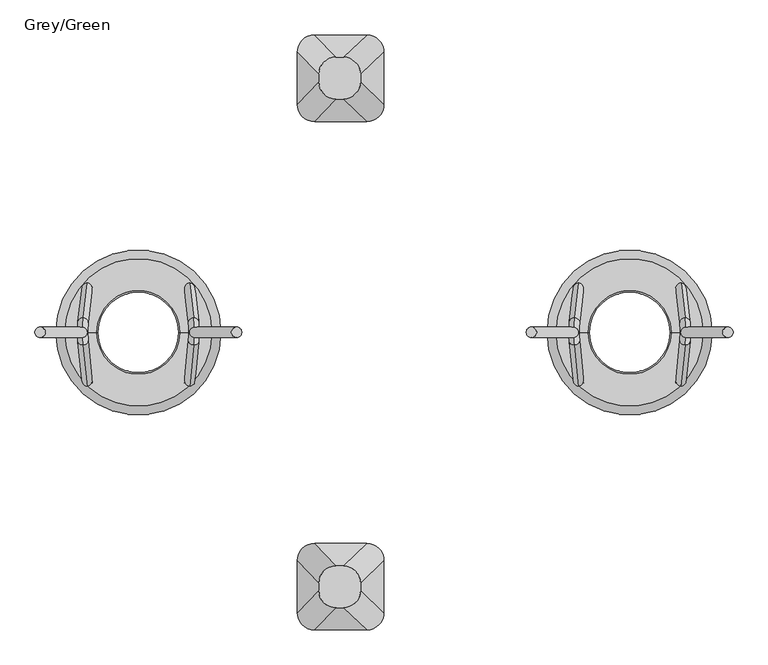
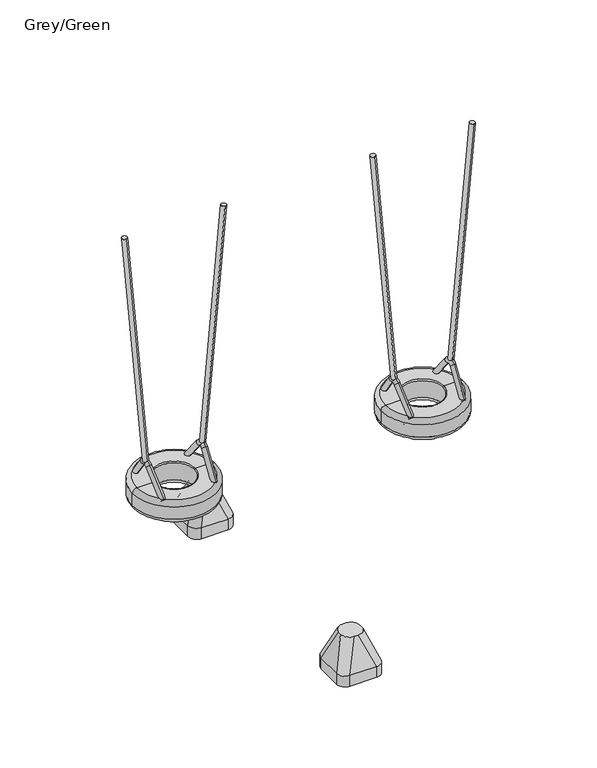
"""IFC4 building model written with IfcOpenShell, lengths in millimetres: furniture geometry, Grey/Green."""

from ifc_helpers import new_model, si_unit, point, frame, frame_2d, origin, place, context, project, spatial, circle_curve, ellipse_curve, trimmed, segment, composite_curve, outline, extrude, source, transform, mapped, element, save
from ifc_brep_helpers import plane_surface, cylinder_surface, revolved_surface, extruded_surface, advanced_brep


def grey_green_ed28a0c3(model_context):
    return source(origin(), model_context, "Body", "SolidModel", [
        advanced_brep(
        [(1275.0, 729.921608, -604.0), (1215.0, 789.921608, -604.0), (1215.0, 969.921608, -604.0), (1275.0, 1029.921608, -604.0), (1455.0, 1029.921608, -604.0), (1515.0, 969.921608, -604.0), (1515.0, 789.921608, -604.0), (1455.0, 729.921608, -604.0), (1455.0, 729.921608, -526.0689494), (1275.0, 729.921608, -526.0689494), (1515.0, 969.921608, -526.0689494), (1515.0, 789.921608, -526.0689494), (1275.0, 1029.921608, -526.0689494), (1455.0, 1029.921608, -526.0689494), (1215.0, 789.921608, -526.0689494), (1215.0, 969.921608, -526.0689494), (1373.9540451, 808.4726677, -316.0689494), (1433.9540451, 868.4726677, -316.0689494), (1433.9540451, 893.4726677, -316.0689494), (1373.9540451, 953.4726677, -316.0689494), (1348.9540451, 953.4726677, -316.0689494), (1288.9540451, 893.4726677, -316.0689494), (1288.9540451, 868.4726677, -316.0689494), (1348.9540451, 808.4726677, -316.0689494)],
        [
            (0, 1, circle_curve(frame((1275.0, 789.921608, -604.0), z_axis=(0.0, 0.0, -1.0), x_axis=(-1.0, 0.0, 0.0)), 60.0)),
            (1, 2),
            (2, 3, circle_curve(frame((1275.0, 969.921608, -604.0), z_axis=(0.0, 0.0, -1.0), x_axis=(-1.0, 0.0, 0.0)), 60.0)),
            (3, 4),
            (4, 5, circle_curve(frame((1455.0, 969.921608, -604.0), z_axis=(0.0, 0.0, -1.0), x_axis=(-1.0, 0.0, 0.0)), 60.0)),
            (5, 6),
            (6, 7, circle_curve(frame((1455.0, 789.921608, -604.0), z_axis=(0.0, 0.0, -1.0), x_axis=(-1.0, 0.0, 0.0)), 60.0)),
            (7, 0),
            (7, 8),
            (8, 9),
            (9, 0),
            (5, 10),
            (10, 11),
            (11, 6),
            (3, 12),
            (12, 13),
            (13, 4),
            (1, 14),
            (14, 15),
            (15, 2),
            (16, 17, circle_curve(frame((1373.9540451, 868.4726677, -316.0689494), z_axis=(0.0, 0.0, 1.0), x_axis=(-1.0, 0.0, 0.0)), 60.0)),
            (17, 18),
            (18, 19, circle_curve(frame((1373.9540451, 893.4726677, -316.0689494), z_axis=(0.0, 0.0, 1.0), x_axis=(-1.0, 0.0, 0.0)), 60.0)),
            (19, 20),
            (20, 21, circle_curve(frame((1348.9540451, 893.4726677, -316.0689494), z_axis=(0.0, 0.0, 1.0), x_axis=(-1.0, 0.0, 0.0)), 60.0)),
            (21, 22),
            (22, 23, circle_curve(frame((1348.9540451, 868.4726677, -316.0689494), z_axis=(0.0, 0.0, 1.0), x_axis=(-1.0, 0.0, 0.0)), 60.0)),
            (23, 16),
            (17, 11),
            (10, 18),
            (19, 13),
            (12, 20),
            (21, 15),
            (14, 22),
            (23, 9),
            (8, 16),
            (11, 8, circle_curve(frame((1455.0, 789.921608, -526.0689494), z_axis=(0.0, 0.0, -1.0), x_axis=(-1.0, 0.0, 0.0)), 60.0)),
            (13, 10, circle_curve(frame((1455.0, 969.921608, -526.0689494), z_axis=(0.0, 0.0, -1.0), x_axis=(-1.0, 0.0, 0.0)), 60.0)),
            (15, 12, circle_curve(frame((1275.0, 969.921608, -526.0689494), z_axis=(0.0, 0.0, -1.0), x_axis=(-1.0, 0.0, 0.0)), 60.0)),
            (9, 14, circle_curve(frame((1275.0, 789.921608, -526.0689494), z_axis=(0.0, 0.0, -1.0), x_axis=(-1.0, 0.0, 0.0)), 60.0)),
        ],
        [
            plane_surface(frame((1541.6329682, 729.921608, -604.0), z_axis=(0.0, 0.0, -1.0), x_axis=(-1.0, 0.0, 0.0))),
            plane_surface(frame((1275.0, 729.921608, -526.0689494), z_axis=(0.0, -1.0, 0.0), x_axis=(0.0, 0.0, -1.0))),
            plane_surface(frame((1515.0, 789.921608, -526.0689494), z_axis=(1.0, 0.0, 0.0), x_axis=(0.0, 0.0, -1.0))),
            plane_surface(frame((1455.0, 1029.921608, -526.0689494), z_axis=(0.0, 1.0, 0.0), x_axis=(0.0, 0.0, -1.0))),
            plane_surface(frame((1215.0, 969.921608, -526.0689494), z_axis=(-1.0, 0.0, 0.0), x_axis=(0.0, 0.0, -1.0))),
            plane_surface(frame((1361.4540451, 880.9726677, -316.0689494), z_axis=(0.0, 0.0, 1.0), x_axis=(1.0, 0.0, 0.0))),
            plane_surface(frame((1515.0, 879.921608, -526.0689494), z_axis=(0.9329330935587706, 0.0, 0.36004977842357055), x_axis=(0.0, 1.0, 0.0))),
            plane_surface(frame((1365.0, 1029.921608, -526.0689494), z_axis=(0.0, 0.9396707723277333, 0.34208016550656856), x_axis=(-1.0, 0.0, 0.0))),
            plane_surface(frame((1215.0, 879.921608, -526.0689494), z_axis=(-0.9432207285248213, 0.0, 0.33216661072586046), x_axis=(0.0, -1.0, 0.0))),
            plane_surface(frame((1365.0, 729.921608, -526.0689494), z_axis=(0.0, -0.9366205672401335, 0.35034541958297477), x_axis=(1.0, 0.0, 0.0))),
            cylinder_surface(frame((1455.0, 789.921608, -604.0), z_axis=(0.0, 0.0, 1.0), x_axis=(-1.0, 0.0, 0.0)), 60.0),
            cylinder_surface(frame((1455.0, 969.921608, -604.0), z_axis=(0.0, 0.0, 1.0), x_axis=(-1.0, 0.0, 0.0)), 60.0),
            cylinder_surface(frame((1275.0, 969.921608, -604.0), z_axis=(0.0, 0.0, 1.0), x_axis=(-1.0, 0.0, 0.0)), 60.0),
            cylinder_surface(frame((1275.0, 789.921608, -604.0), z_axis=(0.0, 0.0, 1.0), x_axis=(-1.0, 0.0, 0.0)), 60.0),
            extruded_surface(trimmed(circle_curve(frame((1455.0, 789.921608, -526.0689494), z_axis=(0.0, 0.0, 1.0), x_axis=(-1.0, 0.0, 0.0)), 60.0), [point((1455.0, 729.921608, -526.0689494))], [point((1515.0, 789.921608, -526.0689494))], True, "CARTESIAN"), (-81.04595489999997, 78.5510597, 209.99999999999994), 238.40871583406042),
            extruded_surface(trimmed(circle_curve(frame((1275.0, 789.921608, -526.0689494), z_axis=(0.0, 0.0, 1.0), x_axis=(-1.0, 0.0, 0.0)), 60.0), [point((1215.0, 789.921608, -526.0689494))], [point((1275.0, 729.921608, -526.0689494))], True, "CARTESIAN"), (73.95404510000003, 78.5510597, 209.99999999999994), 236.0920790002193),
            extruded_surface(trimmed(circle_curve(frame((1455.0, 969.921608, -526.0689494), z_axis=(0.0, 0.0, 1.0), x_axis=(-1.0, 0.0, 0.0)), 60.0), [point((1515.0, 969.921608, -526.0689494))], [point((1455.0, 1029.921608, -526.0689494))], True, "CARTESIAN"), (-81.04595489999997, -76.4489403, 209.99999999999994), 237.72439352882105),
            extruded_surface(trimmed(circle_curve(frame((1275.0, 969.921608, -526.0689494), z_axis=(0.0, 0.0, 1.0), x_axis=(-1.0, 0.0, 0.0)), 60.0), [point((1275.0, 1029.921608, -526.0689494))], [point((1215.0, 969.921608, -526.0689494))], True, "CARTESIAN"), (73.95404510000003, -76.4489403, 209.99999999999994), 235.4010222145303),
        ],
        [
            (0, [[1, 2, 3, 4, 5, 6, 7, 8]]),
            (1, [[-8, 9, 10, 11]]),
            (2, [[-6, 12, 13, 14]]),
            (3, [[-4, 15, 16, 17]]),
            (4, [[-2, 18, 19, 20]]),
            (5, [[21, 22, 23, 24, 25, 26, 27, 28]]),
            (6, [[-22, 29, -13, 30]]),
            (7, [[-24, 31, -16, 32]]),
            (8, [[-26, 33, -19, 34]]),
            (9, [[-28, 35, -10, 36]]),
            (10, [[-7, -14, 37, -9]]),
            (11, [[-5, -17, 38, -12]]),
            (12, [[-3, -20, 39, -15]]),
            (13, [[-1, -11, 40, -18]]),
            (14, [[-21, -36, -37, -29]]),
            (15, [[-27, -34, -40, -35]]),
            (16, [[-23, -30, -38, -31]]),
            (17, [[-25, -32, -39, -33]]),
        ],
    ),
        extrude(outline(composite_curve([segment(trimmed(circle_curve(frame_2d((1.4321269, 0.0)), 18.0), [point((1.4321269, 18.0))], [point((1.4321269, -18.0))], False, "CARTESIAN"), True, "CONTINUOUS"), segment(trimmed(circle_curve(frame_2d((1.4321269, 0.0)), 18.0), [point((1.4321269, -18.0))], [point((1.4321269, 18.0))], False, "CARTESIAN"), True, "CONTINUOUS")], self_intersect=False)), frame((2171.6509993, 0.0, 686.6778156), z_axis=(-0.08715574274765649, 0.0, 0.9961946980917457), x_axis=(-0.9961946980917457, 0.0, -0.08715574274765649)), (0.0, 0.0, 1.0), 1665.0),
        extrude(outline(composite_curve([segment(trimmed(circle_curve(frame_2d((1.4321269, 0.0)), 18.0), [point((1.4321269, 18.0))], [point((1.4321269, -18.0))], False, "CARTESIAN"), True, "CONTINUOUS"), segment(trimmed(circle_curve(frame_2d((1.4321269, 0.0)), 18.0), [point((1.4321269, -18.0))], [point((1.4321269, 18.0))], False, "CARTESIAN"), True, "CONTINUOUS")], self_intersect=False)), frame((2558.3490007, 0.0, 686.6778156), z_axis=(0.08715574274767696, 0.0, 0.9961946980917439), x_axis=(0.9961946980917439, 0.0, -0.08715574274767696)), (0.0, 0.0, 1.0), 1665.0),
        advanced_brep(
        [(2542.843913, 171.5929238, 509.453853), (2540.9556542, 142.8420454, 487.8709553), (2554.8767884, 22.4790408, 646.9902475), (2556.7650472, 51.2299192, 668.5731452), (2542.5847991, -188.6337903, 506.4921669), (2540.5263438, -161.4642454, 482.9639159), (2557.0557994, -44.3008039, 671.896457), (2554.9973441, -17.131259, 648.3682061)],
        [
            (0, 1, circle_curve(frame((2541.8997836, 157.2174846, 498.6624042), z_axis=(-0.06960567106284149, 0.6018150231520505, -0.7955964608169073), x_axis=(-0.05245163533952736, -0.7986355100472913, -0.5995249352960328)), 18.0)),
            (1, 0, circle_curve(frame((2541.8997836, 157.2174846, 498.6624042), z_axis=(-0.06960567106284149, 0.6018150231520505, -0.7955964608169073), x_axis=(-0.05245163533952736, -0.7986355100472913, -0.5995249352960328)), 18.0)),
            (1, 2),
            (2, 3, circle_curve(frame((2555.8209178, 36.85448, 657.7816963), z_axis=(-0.06960567106284149, 0.6018150231520505, -0.7955964608169073), x_axis=(-0.05245163533952736, -0.7986355100472913, -0.5995249352960328)), 18.0)),
            (3, 0),
            (3, 2, circle_curve(frame((2555.8209178, 36.85448, 657.7816963), z_axis=(-0.06960567106284149, 0.6018150231520505, -0.7955964608169073), x_axis=(-0.05245163533952736, -0.7986355100472913, -0.5995249352960328)), 18.0)),
            (4, 5, circle_curve(frame((2541.5555715, -175.0490178, 494.7280414), z_axis=(-0.06577727402310152, -0.6560590289905275, -0.7518376824169539), x_axis=(-0.0571793119579891, 0.7547095802227545, -0.6535625263155811)), 18.0)),
            (5, 4, circle_curve(frame((2541.5555715, -175.0490178, 494.7280414), z_axis=(-0.06577727402310152, -0.6560590289905275, -0.7518376824169539), x_axis=(-0.0571793119579891, 0.7547095802227545, -0.6535625263155811)), 18.0)),
            (6, 7, circle_curve(frame((2556.0265717, -30.7160315, 660.1323315), z_axis=(-0.06577727402310152, -0.6560590289905275, -0.7518376824169539), x_axis=(-0.0571793119579891, 0.7547095802227545, -0.6535625263155811)), 18.0)),
            (7, 5),
            (4, 6),
            (7, 6, circle_curve(frame((2556.0265717, -30.7160315, 660.1323315), z_axis=(-0.06577727402310152, -0.6560590289905275, -0.7518376824169539), x_axis=(-0.0571793119579891, 0.7547095802227545, -0.6535625263155811)), 18.0)),
            (7, 2, circle_curve(frame((2553.5392717, 2.1138353, 631.7023617), z_axis=(-0.9961946980917439, 0.0, 0.08715574274767696), x_axis=(0.0524516353395274, 0.7986355100472908, 0.5995249352960332)), 25.5)),
            (3, 6, circle_curve(frame((2553.5392717, 2.1138353, 631.7023617), z_axis=(0.9961946980917439, 0.0, -0.08715574274767696), x_axis=(0.0524516353395274, 0.7986355100472908, 0.5995249352960332)), 61.5)),
        ],
        [
            plane_surface(frame((2541.8997836, 157.2174846, 498.6624042), z_axis=(-0.06960567106284149, 0.6018150231520504, -0.7955964608169073), x_axis=(0.9961946980917439, 0.0, -0.08715574274767696))),
            cylinder_surface(frame((2541.8997836, 157.2174846, 498.6624042), z_axis=(-0.06960567106284149, 0.6018150231520505, -0.7955964608169073), x_axis=(-0.05245163533952736, -0.7986355100472913, -0.5995249352960328)), 18.0),
            plane_surface(frame((2541.5555715, -175.0490178, 494.7280414), z_axis=(-0.06577727402310148, -0.6560590289905277, -0.7518376824169536), x_axis=(0.9961946980917439, 0.0, -0.08715574274767686))),
            cylinder_surface(frame((2556.0265717, -30.7160315, 660.1323315), z_axis=(0.0657772740231015, 0.6560590289905274, 0.7518376824169537), x_axis=(-0.0571793119579891, 0.7547095802227545, -0.6535625263155811)), 18.0),
            revolved_surface(trimmed(ellipse_curve(frame((2555.8209178, 36.85448, 657.7816963), z_axis=(-0.06960567106284156, 0.6018150231520512, -0.7955964608169066), x_axis=(-0.05245163533952739, -0.7986355100472906, -0.5995249352960335)), 18.0, 18.0), [point((2556.7650472, 51.2299192, 668.5731452))], [point((2554.8767884, 22.4790408, 646.9902475))], True, "CARTESIAN"), (2553.5392717, 2.1138353, 631.7023617), (0.9961946980917439, 0.0, -0.08715574274767696)),
            revolved_surface(trimmed(ellipse_curve(frame((2555.8209178, 36.85448, 657.7816963), z_axis=(-0.06960567106284156, 0.6018150231520512, -0.7955964608169066), x_axis=(-0.05245163533952739, -0.7986355100472906, -0.5995249352960335)), 18.0, 18.0), [point((2554.8767884, 22.4790408, 646.9902475))], [point((2556.7650472, 51.2299192, 668.5731452))], True, "CARTESIAN"), (2553.5392717, 2.1138353, 631.7023617), (0.9961946980917439, 0.0, -0.08715574274767696)),
        ],
        [
            (0, [[1, 2]]),
            (1, [[-2, 3, 4, 5]]),
            (1, [[-1, -5, 6, -3]]),
            (2, [[7, 8]]),
            (3, [[9, 10, -7, 11]]),
            (3, [[12, -11, -8, -10]]),
            (4, [[13, -6, 14, -12]]),
            (5, [[-14, -4, -13, -9]]),
        ],
    ),
        advanced_brep(
        [(2189.0435586, 142.8352389, 487.8799535), (2187.1552997, 171.5861173, 509.4628511), (2175.1224244, 22.4722343, 646.9992456), (2173.2341655, 51.2231127, 668.5821433), (2189.4729122, -161.4568254, 482.9724192), (2187.414457, -188.6263703, 506.5006701), (2172.9434567, -44.2933839, 671.9049602), (2175.0019119, -17.123839, 648.3767093)],
        [
            (0, 1, circle_curve(frame((2188.0994292, 157.2106781, 498.6714023), z_axis=(0.06960567106282514, 0.6018150231520504, -0.7955964608169089), x_axis=(-0.052451635339515044, 0.7986355100472914, 0.5995249352960337)), 18.0)),
            (1, 0, circle_curve(frame((2188.0994292, 157.2106781, 498.6714023), z_axis=(0.06960567106282514, 0.6018150231520504, -0.7955964608169089), x_axis=(-0.052451635339515044, 0.7986355100472914, 0.5995249352960337)), 18.0)),
            (0, 2),
            (2, 3, circle_curve(frame((2174.178295, 36.8476735, 657.7906945), z_axis=(0.06960567106282514, 0.6018150231520504, -0.7955964608169089), x_axis=(-0.052451635339515044, 0.7986355100472914, 0.5995249352960337)), 18.0)),
            (3, 1),
            (3, 2, circle_curve(frame((2174.178295, 36.8476735, 657.7906945), z_axis=(0.06960567106282514, 0.6018150231520504, -0.7955964608169089), x_axis=(-0.052451635339515044, 0.7986355100472914, 0.5995249352960337)), 18.0)),
            (4, 5, circle_curve(frame((2188.4436846, -175.0415979, 494.7365446), z_axis=(0.06577727402308613, -0.6560590289905281, -0.7518376824169546), x_axis=(-0.05717931195797577, -0.754709580222754, 0.653562526315583)), 18.0)),
            (5, 4, circle_curve(frame((2188.4436846, -175.0415979, 494.7365446), z_axis=(0.06577727402308613, -0.6560590289905281, -0.7518376824169546), x_axis=(-0.05717931195797577, -0.754709580222754, 0.653562526315583)), 18.0)),
            (6, 7, circle_curve(frame((2173.9726843, -30.7086115, 660.1408348), z_axis=(0.06577727402308613, -0.6560590289905281, -0.7518376824169546), x_axis=(-0.05717931195797577, -0.754709580222754, 0.653562526315583)), 18.0)),
            (7, 4),
            (5, 6),
            (7, 6, circle_curve(frame((2173.9726843, -30.7086115, 660.1408348), z_axis=(0.06577727402308613, -0.6560590289905281, -0.7518376824169546), x_axis=(-0.05717931195797577, -0.754709580222754, 0.653562526315583)), 18.0)),
            (6, 3, circle_curve(frame((2176.4594607, 2.1143432, 631.7168506), z_axis=(-0.9961946980917457, 0.0, -0.08715574274765649), x_axis=(-0.05245163533951502, 0.7986355100472914, 0.5995249352960336)), 61.4908414)),
            (2, 7, circle_curve(frame((2176.4594607, 2.1143432, 631.7168506), z_axis=(0.9961946980917457, 0.0, 0.08715574274765649), x_axis=(-0.05245163533951502, 0.7986355100472914, 0.5995249352960336)), 25.4908414)),
        ],
        [
            plane_surface(frame((2188.0994292, 157.2106781, 498.6714023), z_axis=(0.06960567106282513, 0.6018150231520503, -0.7955964608169087), x_axis=(-0.9961946980917457, 0.0, -0.08715574274765646))),
            cylinder_surface(frame((2188.0994292, 157.2106781, 498.6714023), z_axis=(0.06960567106282513, 0.6018150231520503, -0.7955964608169087), x_axis=(-0.052451635339515044, 0.7986355100472914, 0.5995249352960337)), 18.0),
            plane_surface(frame((2188.4436846, -175.0415979, 494.7365446), z_axis=(0.06577727402308613, -0.6560590289905281, -0.7518376824169546), x_axis=(-0.9961946980917457, 0.0, -0.08715574274765645))),
            cylinder_surface(frame((2173.9726843, -30.7086115, 660.1408348), z_axis=(-0.06577727402308613, 0.6560590289905281, 0.7518376824169546), x_axis=(-0.05717931195797577, -0.754709580222754, 0.653562526315583)), 18.0),
            revolved_surface(trimmed(ellipse_curve(frame((2174.178295, 36.8476735, 657.7906945), z_axis=(0.0696056710628252, 0.6018150231520499, -0.7955964608169088), x_axis=(-0.05245163533951503, 0.7986355100472915, 0.5995249352960333)), 18.0, 18.0), [point((2175.1224244, 22.4722343, 646.9992456))], [point((2173.2341655, 51.2231127, 668.5821433))], True, "CARTESIAN"), (2176.4594607, 2.1143432, 631.7168506), (0.9961946980917457, 0.0, 0.08715574274765649)),
            revolved_surface(trimmed(ellipse_curve(frame((2174.178295, 36.8476735, 657.7906945), z_axis=(0.0696056710628252, 0.6018150231520499, -0.7955964608169088), x_axis=(-0.05245163533951503, 0.7986355100472915, 0.5995249352960333)), 18.0, 18.0), [point((2173.2341655, 51.2231127, 668.5821433))], [point((2175.1224244, 22.4722343, 646.9992456))], True, "CARTESIAN"), (2176.4594607, 2.1143432, 631.7168506), (0.9961946980917457, 0.0, 0.08715574274765649)),
        ],
        [
            (0, [[1, 2]]),
            (1, [[-1, 3, 4, 5]]),
            (1, [[-2, -5, 6, -3]]),
            (2, [[7, 8]]),
            (3, [[9, 10, -8, 11]]),
            (3, [[12, -11, -7, -10]]),
            (4, [[13, -4, 14, -9]]),
            (5, [[-14, -6, -13, -12]]),
        ],
    ),
        advanced_brep(
        [(2079.3165246, 0.0, 390.0), (2650.6834754, 0.0, 390.0), (2620.6834754, 0.0, 360.0), (2109.3165246, 0.0, 360.0), (2109.3165246, 0.0, 510.0), (2620.6834754, 0.0, 510.0), (2650.6834754, 0.0, 480.0), (2079.3165246, 0.0, 480.0), (2220.0, 0.0, 510.0), (2510.0, 0.0, 510.0), (2220.0, 0.0, 500.0), (2510.0, 0.0, 500.0), (2220.0, 0.0, 360.0), (2510.0, 0.0, 360.0), (2510.0, 0.0, 375.0), (2220.0, 0.0, 375.0)],
        [
            (0, 1, circle_curve(frame((2365.0, 0.0, 390.0), z_axis=(0.0, 0.0, -1.0), x_axis=(1.0, 0.0, 0.0)), 285.6834754)),
            (1, 2, circle_curve(frame((2620.6834754, 0.0, 390.0), z_axis=(0.0, 1.0, 0.0), x_axis=(1.0, 0.0, 0.0)), 30.0)),
            (2, 3, circle_curve(frame((2365.0, 0.0, 360.0), z_axis=(0.0, 0.0, 1.0), x_axis=(1.0, 0.0, 0.0)), 255.6834754)),
            (3, 0, circle_curve(frame((2109.3165246, 0.0, 390.0), z_axis=(0.0, 1.0, 0.0), x_axis=(-1.0, 0.0, 0.0)), 30.0)),
            (1, 0, circle_curve(frame((2365.0, 0.0, 390.0), z_axis=(0.0, 0.0, -1.0), x_axis=(1.0, 0.0, 0.0)), 285.6834754)),
            (3, 2, circle_curve(frame((2365.0, 0.0, 360.0), z_axis=(0.0, 0.0, 1.0), x_axis=(1.0, 0.0, 0.0)), 255.6834754)),
            (4, 5, circle_curve(frame((2365.0, 0.0, 510.0), z_axis=(0.0, 0.0, -1.0), x_axis=(1.0, 0.0, 0.0)), 255.6834754)),
            (5, 6, circle_curve(frame((2620.6834754, 0.0, 480.0), z_axis=(0.0, 1.0, 0.0), x_axis=(1.0, 0.0, 0.0)), 30.0)),
            (6, 7, circle_curve(frame((2365.0, 0.0, 480.0), z_axis=(0.0, 0.0, 1.0), x_axis=(1.0, 0.0, 0.0)), 285.6834754)),
            (7, 4, circle_curve(frame((2109.3165246, 0.0, 480.0), z_axis=(0.0, 1.0, 0.0), x_axis=(-1.0, 0.0, 0.0)), 30.0)),
            (5, 4, circle_curve(frame((2365.0, 0.0, 510.0), z_axis=(0.0, 0.0, -1.0), x_axis=(1.0, 0.0, 0.0)), 255.6834754)),
            (7, 6, circle_curve(frame((2365.0, 0.0, 480.0), z_axis=(0.0, 0.0, 1.0), x_axis=(1.0, 0.0, 0.0)), 285.6834754)),
            (8, 9, circle_curve(frame((2365.0, 0.0, 510.0), z_axis=(0.0, 0.0, -1.0), x_axis=(1.0, 0.0, 0.0)), 145.0)),
            (9, 5),
            (4, 8),
            (9, 8, circle_curve(frame((2365.0, 0.0, 510.0), z_axis=(0.0, 0.0, -1.0), x_axis=(1.0, 0.0, 0.0)), 145.0)),
            (10, 11, circle_curve(frame((2365.0, 0.0, 500.0), z_axis=(0.0, 0.0, -1.0), x_axis=(1.0, 0.0, 0.0)), 145.0)),
            (11, 9, circle_curve(frame((2510.0, 0.0, 505.0), z_axis=(0.0, 1.0, 0.0), x_axis=(1.0, 0.0, 0.0)), 5.0)),
            (8, 10, circle_curve(frame((2220.0, 0.0, 505.0), z_axis=(0.0, 1.0, 0.0), x_axis=(-1.0, 0.0, 0.0)), 5.0)),
            (11, 10, circle_curve(frame((2365.0, 0.0, 500.0), z_axis=(0.0, 0.0, -1.0), x_axis=(1.0, 0.0, 0.0)), 145.0)),
            (12, 13, circle_curve(frame((2365.0, 0.0, 360.0), z_axis=(0.0, 0.0, -1.0), x_axis=(1.0, 0.0, 0.0)), 145.0)),
            (13, 14, circle_curve(frame((2513.8250415, 0.0, 367.5), z_axis=(0.0, 1.0, 0.0), x_axis=(1.0, 0.0, 0.0)), 8.4190821)),
            (14, 15, circle_curve(frame((2365.0, 0.0, 375.0), z_axis=(0.0, 0.0, 1.0), x_axis=(1.0, 0.0, 0.0)), 145.0)),
            (15, 12, circle_curve(frame((2216.1749585, 0.0, 367.5), z_axis=(0.0, 1.0, 0.0), x_axis=(-1.0, 0.0, 0.0)), 8.4190821)),
            (13, 12, circle_curve(frame((2365.0, 0.0, 360.0), z_axis=(0.0, 0.0, -1.0), x_axis=(1.0, 0.0, 0.0)), 145.0)),
            (15, 14, circle_curve(frame((2365.0, 0.0, 375.0), z_axis=(0.0, 0.0, 1.0), x_axis=(1.0, 0.0, 0.0)), 145.0)),
            (2, 13),
            (12, 3),
            (6, 1),
            (0, 7),
            (14, 11, circle_curve(frame((2510.0, 0.0, 437.5), z_axis=(0.0, -1.0, 0.0), x_axis=(-1.0, 0.0, 0.0)), 62.5)),
            (10, 15, circle_curve(frame((2220.0, 0.0, 437.5), z_axis=(0.0, -1.0, 0.0), x_axis=(1.0, 0.0, 0.0)), 62.5)),
        ],
        [
            revolved_surface(trimmed(ellipse_curve(frame((2620.6834754, 0.0, 390.0), z_axis=(0.0, -1.0, 0.0), x_axis=(1.0, 0.0, 0.0)), 30.0, 30.0), [point((2620.6834754, 0.0, 360.0))], [point((2650.6834754, 0.0, 390.0))], True, "CARTESIAN"), (2365.0, 0.0, 2969.0581012), (0.0, 0.0, 1.0)),
            revolved_surface(trimmed(ellipse_curve(frame((2620.6834754, 0.0, 480.0), z_axis=(0.0, -1.0, 0.0), x_axis=(1.0, 0.0, 0.0)), 30.0, 30.0), [point((2650.6834754, 0.0, 480.0))], [point((2620.6834754, 0.0, 510.0))], True, "CARTESIAN"), (2365.0, 0.0, 2969.0581012), (0.0, 0.0, 1.0)),
            plane_surface(frame((2365.0, 0.0, 510.0), z_axis=(0.0, 0.0, 1.0), x_axis=(1.0, 0.0, 0.0))),
            revolved_surface(trimmed(ellipse_curve(frame((2510.0, 0.0, 505.0), z_axis=(0.0, -1.0, 0.0), x_axis=(1.0, 0.0, 0.0)), 5.0, 5.0), [point((2510.0, 0.0, 510.0))], [point((2510.0, 0.0, 500.0))], True, "CARTESIAN"), (2365.0, 0.0, 2969.0581012), (0.0, 0.0, 1.0)),
            revolved_surface(trimmed(ellipse_curve(frame((2513.8250415, 0.0, 367.5), z_axis=(0.0, -1.0, 0.0), x_axis=(1.0, 0.0, 0.0)), 8.4190821, 8.4190821), [point((2510.0, 0.0, 375.0))], [point((2510.0, 0.0, 360.0))], True, "CARTESIAN"), (2365.0, 0.0, 2969.0581012), (0.0, 0.0, 1.0)),
            plane_surface(frame((2365.0, 0.0, 360.0), z_axis=(0.0, 0.0, -1.0), x_axis=(1.0, 0.0, 0.0))),
            cylinder_surface(frame((2365.0, 0.0, 2969.0581012), z_axis=(0.0, 0.0, 1.0), x_axis=(1.0, 0.0, 0.0)), 285.6834754),
            revolved_surface(trimmed(ellipse_curve(frame((2510.0, 0.0, 437.5), z_axis=(0.0, 1.0, 0.0), x_axis=(-1.0, 0.0, 0.0)), 62.5, 62.5), [point((2510.0, 0.0, 500.0))], [point((2510.0, 0.0, 375.0))], True, "CARTESIAN"), (2365.0, 0.0, 2969.0581012), (0.0, 0.0, 1.0)),
        ],
        [
            (0, [[1, 2, 3, 4]]),
            (0, [[5, -4, 6, -2]]),
            (1, [[7, 8, 9, 10]]),
            (1, [[11, -10, 12, -8]]),
            (2, [[13, 14, -7, 15]]),
            (2, [[16, -15, -11, -14]]),
            (3, [[17, 18, -13, 19]]),
            (3, [[20, -19, -16, -18]]),
            (4, [[21, 22, 23, 24]]),
            (4, [[25, -24, 26, -22]]),
            (5, [[-3, 27, -21, 28]]),
            (5, [[-6, -28, -25, -27]]),
            (6, [[-9, 29, -1, 30]]),
            (6, [[-12, -30, -5, -29]]),
            (7, [[-23, 31, -17, 32]]),
            (7, [[-26, -32, -20, -31]]),
        ],
    ),
        advanced_brep(
        [(1275.0, -729.921608, -604.0), (1455.0, -729.921608, -604.0), (1515.0, -789.921608, -604.0), (1515.0, -969.921608, -604.0), (1455.0, -1029.921608, -604.0), (1275.0, -1029.921608, -604.0), (1215.0, -969.921608, -604.0), (1215.0, -789.921608, -604.0), (1275.0, -729.921608, -526.0689494), (1455.0, -729.921608, -526.0689494), (1515.0, -789.921608, -526.0689494), (1515.0, -969.921608, -526.0689494), (1455.0, -1029.921608, -526.0689494), (1275.0, -1029.921608, -526.0689494), (1215.0, -969.921608, -526.0689494), (1215.0, -789.921608, -526.0689494), (1373.9540451, -808.4726677, -316.0689494), (1348.9540451, -808.4726677, -316.0689494), (1288.9540451, -868.4726677, -316.0689494), (1288.9540451, -893.4726677, -316.0689494), (1348.9540451, -953.4726677, -316.0689494), (1373.9540451, -953.4726677, -316.0689494), (1433.9540451, -893.4726677, -316.0689494), (1433.9540451, -868.4726677, -316.0689494)],
        [
            (0, 1),
            (1, 2, circle_curve(frame((1455.0, -789.921608, -604.0), z_axis=(0.0, 0.0, -1.0), x_axis=(-1.0, 0.0, 0.0)), 60.0)),
            (2, 3),
            (3, 4, circle_curve(frame((1455.0, -969.921608, -604.0), z_axis=(0.0, 0.0, -1.0), x_axis=(-1.0, 0.0, 0.0)), 60.0)),
            (4, 5),
            (5, 6, circle_curve(frame((1275.0, -969.921608, -604.0), z_axis=(0.0, 0.0, -1.0), x_axis=(-1.0, 0.0, 0.0)), 60.0)),
            (6, 7),
            (7, 0, circle_curve(frame((1275.0, -789.921608, -604.0), z_axis=(0.0, 0.0, -1.0), x_axis=(-1.0, 0.0, 0.0)), 60.0)),
            (0, 8),
            (8, 9),
            (9, 1),
            (2, 10),
            (10, 11),
            (11, 3),
            (4, 12),
            (12, 13),
            (13, 5),
            (6, 14),
            (14, 15),
            (15, 7),
            (16, 17),
            (17, 18, circle_curve(frame((1348.9540451, -868.4726677, -316.0689494), z_axis=(0.0, 0.0, 1.0), x_axis=(-1.0, 0.0, 0.0)), 60.0)),
            (18, 19),
            (19, 20, circle_curve(frame((1348.9540451, -893.4726677, -316.0689494), z_axis=(0.0, 0.0, 1.0), x_axis=(-1.0, 0.0, 0.0)), 60.0)),
            (20, 21),
            (21, 22, circle_curve(frame((1373.9540451, -893.4726677, -316.0689494), z_axis=(0.0, 0.0, 1.0), x_axis=(-1.0, 0.0, 0.0)), 60.0)),
            (22, 23),
            (23, 16, circle_curve(frame((1373.9540451, -868.4726677, -316.0689494), z_axis=(0.0, 0.0, 1.0), x_axis=(-1.0, 0.0, 0.0)), 60.0)),
            (22, 11),
            (10, 23),
            (20, 13),
            (12, 21),
            (18, 15),
            (14, 19),
            (16, 9),
            (8, 17),
            (9, 10, circle_curve(frame((1455.0, -789.921608, -526.0689494), z_axis=(0.0, 0.0, -1.0), x_axis=(-1.0, 0.0, 0.0)), 60.0)),
            (11, 12, circle_curve(frame((1455.0, -969.921608, -526.0689494), z_axis=(0.0, 0.0, -1.0), x_axis=(-1.0, 0.0, 0.0)), 60.0)),
            (13, 14, circle_curve(frame((1275.0, -969.921608, -526.0689494), z_axis=(0.0, 0.0, -1.0), x_axis=(-1.0, 0.0, 0.0)), 60.0)),
            (15, 8, circle_curve(frame((1275.0, -789.921608, -526.0689494), z_axis=(0.0, 0.0, -1.0), x_axis=(-1.0, 0.0, 0.0)), 60.0)),
        ],
        [
            plane_surface(frame((1541.6329682, -729.921608, -604.0), z_axis=(0.0, 0.0, -1.0), x_axis=(-1.0, 0.0, 0.0))),
            plane_surface(frame((1275.0, -729.921608, -526.0689494), z_axis=(0.0, 1.0, 0.0), x_axis=(0.0, 0.0, -1.0))),
            plane_surface(frame((1515.0, -789.921608, -526.0689494), z_axis=(1.0, 0.0, 0.0), x_axis=(0.0, 0.0, -1.0))),
            plane_surface(frame((1455.0, -1029.921608, -526.0689494), z_axis=(0.0, -1.0, 0.0), x_axis=(0.0, 0.0, -1.0))),
            plane_surface(frame((1215.0, -969.921608, -526.0689494), z_axis=(-1.0, 0.0, 0.0), x_axis=(0.0, 0.0, -1.0))),
            plane_surface(frame((1361.4540451, -880.9726677, -316.0689494), z_axis=(0.0, 0.0, 1.0), x_axis=(1.0, 0.0, 0.0))),
            plane_surface(frame((1515.0, -879.921608, -526.0689494), z_axis=(0.9329330935587706, 0.0, 0.36004977842357055), x_axis=(0.0, -1.0, 0.0))),
            plane_surface(frame((1365.0, -1029.921608, -526.0689494), z_axis=(0.0, -0.9396707723277333, 0.34208016550656856), x_axis=(-1.0, 0.0, 0.0))),
            plane_surface(frame((1215.0, -879.921608, -526.0689494), z_axis=(-0.9432207285248213, 0.0, 0.33216661072586046), x_axis=(0.0, 1.0, 0.0))),
            plane_surface(frame((1365.0, -729.921608, -526.0689494), z_axis=(0.0, 0.9366205672401335, 0.35034541958297477), x_axis=(1.0, 0.0, 0.0))),
            cylinder_surface(frame((1455.0, -789.921608, -604.0), z_axis=(0.0, 0.0, 1.0), x_axis=(-1.0, 0.0, 0.0)), 60.0),
            cylinder_surface(frame((1455.0, -969.921608, -604.0), z_axis=(0.0, 0.0, 1.0), x_axis=(-1.0, 0.0, 0.0)), 60.0),
            cylinder_surface(frame((1275.0, -969.921608, -604.0), z_axis=(0.0, 0.0, 1.0), x_axis=(-1.0, 0.0, 0.0)), 60.0),
            cylinder_surface(frame((1275.0, -789.921608, -604.0), z_axis=(0.0, 0.0, 1.0), x_axis=(-1.0, 0.0, 0.0)), 60.0),
            extruded_surface(trimmed(circle_curve(frame((1373.9540451, -868.4726677, -316.0689494), z_axis=(0.0, 0.0, -1.0), x_axis=(-1.0, 0.0, 0.0)), 60.0), [point((1373.9540451, -808.4726677, -316.0689494))], [point((1433.9540451, -868.4726677, -316.0689494))], True, "CARTESIAN"), (81.04595489999997, 78.5510597, -209.99999999999994), 238.40871583406042),
            extruded_surface(trimmed(circle_curve(frame((1348.9540451, -868.4726677, -316.0689494), z_axis=(0.0, 0.0, -1.0), x_axis=(-1.0, 0.0, 0.0)), 60.0), [point((1288.9540451, -868.4726677, -316.0689494))], [point((1348.9540451, -808.4726677, -316.0689494))], True, "CARTESIAN"), (-73.95404510000003, 78.5510597, -209.99999999999994), 236.0920790002193),
            extruded_surface(trimmed(circle_curve(frame((1373.9540451, -893.4726677, -316.0689494), z_axis=(0.0, 0.0, -1.0), x_axis=(-1.0, 0.0, 0.0)), 60.0), [point((1433.9540451, -893.4726677, -316.0689494))], [point((1373.9540451, -953.4726677, -316.0689494))], True, "CARTESIAN"), (81.04595489999997, -76.4489403, -209.99999999999994), 237.72439352882105),
            extruded_surface(trimmed(circle_curve(frame((1348.9540451, -893.4726677, -316.0689494), z_axis=(0.0, 0.0, -1.0), x_axis=(-1.0, 0.0, 0.0)), 60.0), [point((1348.9540451, -953.4726677, -316.0689494))], [point((1288.9540451, -893.4726677, -316.0689494))], True, "CARTESIAN"), (-73.95404510000003, -76.4489403, -209.99999999999994), 235.4010222145303),
        ],
        [
            (0, [[1, 2, 3, 4, 5, 6, 7, 8]]),
            (1, [[9, 10, 11, -1]]),
            (2, [[12, 13, 14, -3]]),
            (3, [[15, 16, 17, -5]]),
            (4, [[18, 19, 20, -7]]),
            (5, [[21, 22, 23, 24, 25, 26, 27, 28]]),
            (6, [[29, -13, 30, -27]]),
            (7, [[31, -16, 32, -25]]),
            (8, [[33, -19, 34, -23]]),
            (9, [[35, -10, 36, -21]]),
            (10, [[-11, 37, -12, -2]]),
            (11, [[-14, 38, -15, -4]]),
            (12, [[-17, 39, -18, -6]]),
            (13, [[-20, 40, -9, -8]]),
            (14, [[-30, -37, -35, -28]]),
            (15, [[-36, -40, -33, -22]]),
            (16, [[-32, -38, -29, -26]]),
            (17, [[-34, -39, -31, -24]]),
        ],
    ),
        extrude(outline(composite_curve([segment(trimmed(circle_curve(frame_2d((1.4321269, 0.0)), 18.0), [point((1.4321269, 18.0))], [point((1.4321269, -18.0))], False, "CARTESIAN"), True, "CONTINUOUS"), segment(trimmed(circle_curve(frame_2d((1.4321269, 0.0)), 18.0), [point((1.4321269, -18.0))], [point((1.4321269, 18.0))], False, "CARTESIAN"), True, "CONTINUOUS")], self_intersect=False)), frame((471.6509993, 0.0, 686.6778156), z_axis=(-0.08715574274765649, 0.0, 0.9961946980917457), x_axis=(-0.9961946980917457, 0.0, -0.08715574274765649)), (0.0, 0.0, 1.0), 1665.0),
        extrude(outline(composite_curve([segment(trimmed(circle_curve(frame_2d((1.4321269, 0.0)), 18.0), [point((1.4321269, 18.0))], [point((1.4321269, -18.0))], False, "CARTESIAN"), True, "CONTINUOUS"), segment(trimmed(circle_curve(frame_2d((1.4321269, 0.0)), 18.0), [point((1.4321269, -18.0))], [point((1.4321269, 18.0))], False, "CARTESIAN"), True, "CONTINUOUS")], self_intersect=False)), frame((858.3490007, 0.0, 686.6778156), z_axis=(0.08715574274767696, 0.0, 0.9961946980917439), x_axis=(0.9961946980917439, 0.0, -0.08715574274767696)), (0.0, 0.0, 1.0), 1665.0),
        advanced_brep(
        [(842.843913, 171.5929238, 509.453853), (840.9556542, 142.8420454, 487.8709553), (854.8767884, 22.4790408, 646.9902475), (856.7650472, 51.2299192, 668.5731452), (842.5847991, -188.6337903, 506.4921669), (840.5263438, -161.4642454, 482.9639159), (857.0557994, -44.3008039, 671.896457), (854.9973441, -17.131259, 648.3682061)],
        [
            (0, 1, circle_curve(frame((841.8997836, 157.2174846, 498.6624042), z_axis=(-0.06960567106284149, 0.6018150231520505, -0.7955964608169073), x_axis=(-0.05245163533952736, -0.7986355100472913, -0.5995249352960328)), 18.0)),
            (1, 0, circle_curve(frame((841.8997836, 157.2174846, 498.6624042), z_axis=(-0.06960567106284149, 0.6018150231520505, -0.7955964608169073), x_axis=(-0.05245163533952736, -0.7986355100472913, -0.5995249352960328)), 18.0)),
            (1, 2),
            (2, 3, circle_curve(frame((855.8209178, 36.85448, 657.7816963), z_axis=(-0.06960567106284149, 0.6018150231520505, -0.7955964608169073), x_axis=(-0.05245163533952736, -0.7986355100472913, -0.5995249352960328)), 18.0)),
            (3, 0),
            (3, 2, circle_curve(frame((855.8209178, 36.85448, 657.7816963), z_axis=(-0.06960567106284149, 0.6018150231520505, -0.7955964608169073), x_axis=(-0.05245163533952736, -0.7986355100472913, -0.5995249352960328)), 18.0)),
            (4, 5, circle_curve(frame((841.5555715, -175.0490178, 494.7280414), z_axis=(-0.06577727402310152, -0.6560590289905275, -0.7518376824169539), x_axis=(-0.0571793119579891, 0.7547095802227545, -0.6535625263155811)), 18.0)),
            (5, 4, circle_curve(frame((841.5555715, -175.0490178, 494.7280414), z_axis=(-0.06577727402310152, -0.6560590289905275, -0.7518376824169539), x_axis=(-0.0571793119579891, 0.7547095802227545, -0.6535625263155811)), 18.0)),
            (6, 7, circle_curve(frame((856.0265717, -30.7160315, 660.1323315), z_axis=(-0.06577727402310152, -0.6560590289905275, -0.7518376824169539), x_axis=(-0.0571793119579891, 0.7547095802227545, -0.6535625263155811)), 18.0)),
            (7, 5),
            (4, 6),
            (7, 6, circle_curve(frame((856.0265717, -30.7160315, 660.1323315), z_axis=(-0.06577727402310152, -0.6560590289905275, -0.7518376824169539), x_axis=(-0.0571793119579891, 0.7547095802227545, -0.6535625263155811)), 18.0)),
            (7, 2, circle_curve(frame((853.5392717, 2.1138353, 631.7023617), z_axis=(-0.9961946980917439, 0.0, 0.08715574274767696), x_axis=(0.0524516353395274, 0.7986355100472908, 0.5995249352960332)), 25.5)),
            (3, 6, circle_curve(frame((853.5392717, 2.1138353, 631.7023617), z_axis=(0.9961946980917439, 0.0, -0.08715574274767696), x_axis=(0.0524516353395274, 0.7986355100472908, 0.5995249352960332)), 61.5)),
        ],
        [
            plane_surface(frame((841.8997836, 157.2174846, 498.6624042), z_axis=(-0.06960567106284149, 0.6018150231520504, -0.7955964608169073), x_axis=(0.9961946980917439, 0.0, -0.08715574274767696))),
            cylinder_surface(frame((841.8997836, 157.2174846, 498.6624042), z_axis=(-0.06960567106284149, 0.6018150231520505, -0.7955964608169073), x_axis=(-0.05245163533952736, -0.7986355100472913, -0.5995249352960328)), 18.0),
            plane_surface(frame((841.5555715, -175.0490178, 494.7280414), z_axis=(-0.06577727402310148, -0.6560590289905277, -0.7518376824169536), x_axis=(0.9961946980917439, 0.0, -0.08715574274767686))),
            cylinder_surface(frame((856.0265717, -30.7160315, 660.1323315), z_axis=(0.0657772740231015, 0.6560590289905274, 0.7518376824169537), x_axis=(-0.0571793119579891, 0.7547095802227545, -0.6535625263155811)), 18.0),
            revolved_surface(trimmed(ellipse_curve(frame((855.8209178, 36.85448, 657.7816963), z_axis=(-0.06960567106284156, 0.6018150231520512, -0.7955964608169066), x_axis=(-0.05245163533952739, -0.7986355100472906, -0.5995249352960335)), 18.0, 18.0), [point((856.7650472, 51.2299192, 668.5731452))], [point((854.8767884, 22.4790408, 646.9902475))], True, "CARTESIAN"), (853.5392717, 2.1138353, 631.7023617), (0.9961946980917439, 0.0, -0.08715574274767696)),
            revolved_surface(trimmed(ellipse_curve(frame((855.8209178, 36.85448, 657.7816963), z_axis=(-0.06960567106284156, 0.6018150231520512, -0.7955964608169066), x_axis=(-0.05245163533952739, -0.7986355100472906, -0.5995249352960335)), 18.0, 18.0), [point((854.8767884, 22.4790408, 646.9902475))], [point((856.7650472, 51.2299192, 668.5731452))], True, "CARTESIAN"), (853.5392717, 2.1138353, 631.7023617), (0.9961946980917439, 0.0, -0.08715574274767696)),
        ],
        [
            (0, [[1, 2]]),
            (1, [[-2, 3, 4, 5]]),
            (1, [[-1, -5, 6, -3]]),
            (2, [[7, 8]]),
            (3, [[9, 10, -7, 11]]),
            (3, [[12, -11, -8, -10]]),
            (4, [[13, -6, 14, -12]]),
            (5, [[-14, -4, -13, -9]]),
        ],
    ),
        advanced_brep(
        [(489.0435586, 142.8352389, 487.8799535), (487.1552997, 171.5861173, 509.4628511), (475.1224244, 22.4722343, 646.9992456), (473.2341655, 51.2231127, 668.5821433), (489.4729122, -161.4568254, 482.9724192), (487.414457, -188.6263703, 506.5006701), (472.9434567, -44.2933839, 671.9049602), (475.0019119, -17.123839, 648.3767093)],
        [
            (0, 1, circle_curve(frame((488.0994292, 157.2106781, 498.6714023), z_axis=(0.06960567106282514, 0.6018150231520504, -0.7955964608169089), x_axis=(-0.052451635339515044, 0.7986355100472914, 0.5995249352960337)), 18.0)),
            (1, 0, circle_curve(frame((488.0994292, 157.2106781, 498.6714023), z_axis=(0.06960567106282514, 0.6018150231520504, -0.7955964608169089), x_axis=(-0.052451635339515044, 0.7986355100472914, 0.5995249352960337)), 18.0)),
            (0, 2),
            (2, 3, circle_curve(frame((474.178295, 36.8476735, 657.7906945), z_axis=(0.06960567106282514, 0.6018150231520504, -0.7955964608169089), x_axis=(-0.052451635339515044, 0.7986355100472914, 0.5995249352960337)), 18.0)),
            (3, 1),
            (3, 2, circle_curve(frame((474.178295, 36.8476735, 657.7906945), z_axis=(0.06960567106282514, 0.6018150231520504, -0.7955964608169089), x_axis=(-0.052451635339515044, 0.7986355100472914, 0.5995249352960337)), 18.0)),
            (4, 5, circle_curve(frame((488.4436846, -175.0415979, 494.7365446), z_axis=(0.06577727402308613, -0.6560590289905281, -0.7518376824169546), x_axis=(-0.05717931195797577, -0.754709580222754, 0.653562526315583)), 18.0)),
            (5, 4, circle_curve(frame((488.4436846, -175.0415979, 494.7365446), z_axis=(0.06577727402308613, -0.6560590289905281, -0.7518376824169546), x_axis=(-0.05717931195797577, -0.754709580222754, 0.653562526315583)), 18.0)),
            (6, 7, circle_curve(frame((473.9726843, -30.7086115, 660.1408348), z_axis=(0.06577727402308613, -0.6560590289905281, -0.7518376824169546), x_axis=(-0.05717931195797577, -0.754709580222754, 0.653562526315583)), 18.0)),
            (7, 4),
            (5, 6),
            (7, 6, circle_curve(frame((473.9726843, -30.7086115, 660.1408348), z_axis=(0.06577727402308613, -0.6560590289905281, -0.7518376824169546), x_axis=(-0.05717931195797577, -0.754709580222754, 0.653562526315583)), 18.0)),
            (6, 3, circle_curve(frame((476.4594607, 2.1143432, 631.7168506), z_axis=(-0.9961946980917457, 0.0, -0.08715574274765649), x_axis=(-0.05245163533951502, 0.7986355100472914, 0.5995249352960336)), 61.4908414)),
            (2, 7, circle_curve(frame((476.4594607, 2.1143432, 631.7168506), z_axis=(0.9961946980917457, 0.0, 0.08715574274765649), x_axis=(-0.05245163533951502, 0.7986355100472914, 0.5995249352960336)), 25.4908414)),
        ],
        [
            plane_surface(frame((488.0994292, 157.2106781, 498.6714023), z_axis=(0.06960567106282513, 0.6018150231520503, -0.7955964608169087), x_axis=(-0.9961946980917457, 0.0, -0.08715574274765646))),
            cylinder_surface(frame((488.0994292, 157.2106781, 498.6714023), z_axis=(0.06960567106282513, 0.6018150231520503, -0.7955964608169087), x_axis=(-0.052451635339515044, 0.7986355100472914, 0.5995249352960337)), 18.0),
            plane_surface(frame((488.4436846, -175.0415979, 494.7365446), z_axis=(0.06577727402308613, -0.6560590289905281, -0.7518376824169546), x_axis=(-0.9961946980917457, 0.0, -0.08715574274765645))),
            cylinder_surface(frame((473.9726843, -30.7086115, 660.1408348), z_axis=(-0.06577727402308613, 0.6560590289905281, 0.7518376824169546), x_axis=(-0.05717931195797577, -0.754709580222754, 0.653562526315583)), 18.0),
            revolved_surface(trimmed(ellipse_curve(frame((474.178295, 36.8476735, 657.7906945), z_axis=(0.0696056710628252, 0.6018150231520499, -0.7955964608169088), x_axis=(-0.05245163533951503, 0.7986355100472915, 0.5995249352960333)), 18.0, 18.0), [point((475.1224244, 22.4722343, 646.9992456))], [point((473.2341655, 51.2231127, 668.5821433))], True, "CARTESIAN"), (476.4594607, 2.1143432, 631.7168506), (0.9961946980917457, 0.0, 0.08715574274765649)),
            revolved_surface(trimmed(ellipse_curve(frame((474.178295, 36.8476735, 657.7906945), z_axis=(0.0696056710628252, 0.6018150231520499, -0.7955964608169088), x_axis=(-0.05245163533951503, 0.7986355100472915, 0.5995249352960333)), 18.0, 18.0), [point((473.2341655, 51.2231127, 668.5821433))], [point((475.1224244, 22.4722343, 646.9992456))], True, "CARTESIAN"), (476.4594607, 2.1143432, 631.7168506), (0.9961946980917457, 0.0, 0.08715574274765649)),
        ],
        [
            (0, [[1, 2]]),
            (1, [[-1, 3, 4, 5]]),
            (1, [[-2, -5, 6, -3]]),
            (2, [[7, 8]]),
            (3, [[9, 10, -8, 11]]),
            (3, [[12, -11, -7, -10]]),
            (4, [[13, -4, 14, -9]]),
            (5, [[-14, -6, -13, -12]]),
        ],
    ),
        advanced_brep(
        [(379.3165246, 0.0, 390.0), (950.6834754, 0.0, 390.0), (920.6834754, 0.0, 360.0), (409.3165246, 0.0, 360.0), (409.3165246, 0.0, 510.0), (920.6834754, 0.0, 510.0), (950.6834754, 0.0, 480.0), (379.3165246, 0.0, 480.0), (520.0, 0.0, 510.0), (810.0, 0.0, 510.0), (520.0, 0.0, 500.0), (810.0, 0.0, 500.0), (520.0, 0.0, 360.0), (810.0, 0.0, 360.0), (810.0, 0.0, 375.0), (520.0, 0.0, 375.0)],
        [
            (0, 1, circle_curve(frame((665.0, 0.0, 390.0), z_axis=(0.0, 0.0, -1.0), x_axis=(1.0, 0.0, 0.0)), 285.6834754)),
            (1, 2, circle_curve(frame((920.6834754, 0.0, 390.0), z_axis=(0.0, 1.0, 0.0), x_axis=(1.0, 0.0, 0.0)), 30.0)),
            (2, 3, circle_curve(frame((665.0, 0.0, 360.0), z_axis=(0.0, 0.0, 1.0), x_axis=(1.0, 0.0, 0.0)), 255.6834754)),
            (3, 0, circle_curve(frame((409.3165246, 0.0, 390.0), z_axis=(0.0, 1.0, 0.0), x_axis=(-1.0, 0.0, 0.0)), 30.0)),
            (1, 0, circle_curve(frame((665.0, 0.0, 390.0), z_axis=(0.0, 0.0, -1.0), x_axis=(1.0, 0.0, 0.0)), 285.6834754)),
            (3, 2, circle_curve(frame((665.0, 0.0, 360.0), z_axis=(0.0, 0.0, 1.0), x_axis=(1.0, 0.0, 0.0)), 255.6834754)),
            (4, 5, circle_curve(frame((665.0, 0.0, 510.0), z_axis=(0.0, 0.0, -1.0), x_axis=(1.0, 0.0, 0.0)), 255.6834754)),
            (5, 6, circle_curve(frame((920.6834754, 0.0, 480.0), z_axis=(0.0, 1.0, 0.0), x_axis=(1.0, 0.0, 0.0)), 30.0)),
            (6, 7, circle_curve(frame((665.0, 0.0, 480.0), z_axis=(0.0, 0.0, 1.0), x_axis=(1.0, 0.0, 0.0)), 285.6834754)),
            (7, 4, circle_curve(frame((409.3165246, 0.0, 480.0), z_axis=(0.0, 1.0, 0.0), x_axis=(-1.0, 0.0, 0.0)), 30.0)),
            (5, 4, circle_curve(frame((665.0, 0.0, 510.0), z_axis=(0.0, 0.0, -1.0), x_axis=(1.0, 0.0, 0.0)), 255.6834754)),
            (7, 6, circle_curve(frame((665.0, 0.0, 480.0), z_axis=(0.0, 0.0, 1.0), x_axis=(1.0, 0.0, 0.0)), 285.6834754)),
            (8, 9, circle_curve(frame((665.0, 0.0, 510.0), z_axis=(0.0, 0.0, -1.0), x_axis=(1.0, 0.0, 0.0)), 145.0)),
            (9, 5),
            (4, 8),
            (9, 8, circle_curve(frame((665.0, 0.0, 510.0), z_axis=(0.0, 0.0, -1.0), x_axis=(1.0, 0.0, 0.0)), 145.0)),
            (10, 11, circle_curve(frame((665.0, 0.0, 500.0), z_axis=(0.0, 0.0, -1.0), x_axis=(1.0, 0.0, 0.0)), 145.0)),
            (11, 9, circle_curve(frame((810.0, 0.0, 505.0), z_axis=(0.0, 1.0, 0.0), x_axis=(1.0, 0.0, 0.0)), 5.0)),
            (8, 10, circle_curve(frame((520.0, 0.0, 505.0), z_axis=(0.0, 1.0, 0.0), x_axis=(-1.0, 0.0, 0.0)), 5.0)),
            (11, 10, circle_curve(frame((665.0, 0.0, 500.0), z_axis=(0.0, 0.0, -1.0), x_axis=(1.0, 0.0, 0.0)), 145.0)),
            (12, 13, circle_curve(frame((665.0, 0.0, 360.0), z_axis=(0.0, 0.0, -1.0), x_axis=(1.0, 0.0, 0.0)), 145.0)),
            (13, 14, circle_curve(frame((813.8250415, 0.0, 367.5), z_axis=(0.0, 1.0, 0.0), x_axis=(1.0, 0.0, 0.0)), 8.4190821)),
            (14, 15, circle_curve(frame((665.0, 0.0, 375.0), z_axis=(0.0, 0.0, 1.0), x_axis=(1.0, 0.0, 0.0)), 145.0)),
            (15, 12, circle_curve(frame((516.1749585, 0.0, 367.5), z_axis=(0.0, 1.0, 0.0), x_axis=(-1.0, 0.0, 0.0)), 8.4190821)),
            (13, 12, circle_curve(frame((665.0, 0.0, 360.0), z_axis=(0.0, 0.0, -1.0), x_axis=(1.0, 0.0, 0.0)), 145.0)),
            (15, 14, circle_curve(frame((665.0, 0.0, 375.0), z_axis=(0.0, 0.0, 1.0), x_axis=(1.0, 0.0, 0.0)), 145.0)),
            (2, 13),
            (12, 3),
            (6, 1),
            (0, 7),
            (14, 11, circle_curve(frame((810.0, 0.0, 437.5), z_axis=(0.0, -1.0, 0.0), x_axis=(-1.0, 0.0, 0.0)), 62.5)),
            (10, 15, circle_curve(frame((520.0, 0.0, 437.5), z_axis=(0.0, -1.0, 0.0), x_axis=(1.0, 0.0, 0.0)), 62.5)),
        ],
        [
            revolved_surface(trimmed(ellipse_curve(frame((920.6834754, 0.0, 390.0), z_axis=(0.0, -1.0, 0.0), x_axis=(1.0, 0.0, 0.0)), 30.0, 30.0), [point((920.6834754, 0.0, 360.0))], [point((950.6834754, 0.0, 390.0))], True, "CARTESIAN"), (665.0, 0.0, 2969.0581012), (0.0, 0.0, 1.0)),
            revolved_surface(trimmed(ellipse_curve(frame((920.6834754, 0.0, 480.0), z_axis=(0.0, -1.0, 0.0), x_axis=(1.0, 0.0, 0.0)), 30.0, 30.0), [point((950.6834754, 0.0, 480.0))], [point((920.6834754, 0.0, 510.0))], True, "CARTESIAN"), (665.0, 0.0, 2969.0581012), (0.0, 0.0, 1.0)),
            plane_surface(frame((665.0, 0.0, 510.0), z_axis=(0.0, 0.0, 1.0), x_axis=(1.0, 0.0, 0.0))),
            revolved_surface(trimmed(ellipse_curve(frame((810.0, 0.0, 505.0), z_axis=(0.0, -1.0, 0.0), x_axis=(1.0, 0.0, 0.0)), 5.0, 5.0), [point((810.0, 0.0, 510.0))], [point((810.0, 0.0, 500.0))], True, "CARTESIAN"), (665.0, 0.0, 2969.0581012), (0.0, 0.0, 1.0)),
            revolved_surface(trimmed(ellipse_curve(frame((813.8250415, 0.0, 367.5), z_axis=(0.0, -1.0, 0.0), x_axis=(1.0, 0.0, 0.0)), 8.4190821, 8.4190821), [point((810.0, 0.0, 375.0))], [point((810.0, 0.0, 360.0))], True, "CARTESIAN"), (665.0, 0.0, 2969.0581012), (0.0, 0.0, 1.0)),
            plane_surface(frame((665.0, 0.0, 360.0), z_axis=(0.0, 0.0, -1.0), x_axis=(1.0, 0.0, 0.0))),
            cylinder_surface(frame((665.0, 0.0, 2969.0581012), z_axis=(0.0, 0.0, 1.0), x_axis=(1.0, 0.0, 0.0)), 285.6834754),
            revolved_surface(trimmed(ellipse_curve(frame((810.0, 0.0, 437.5), z_axis=(0.0, 1.0, 0.0), x_axis=(-1.0, 0.0, 0.0)), 62.5, 62.5), [point((810.0, 0.0, 500.0))], [point((810.0, 0.0, 375.0))], True, "CARTESIAN"), (665.0, 0.0, 2969.0581012), (0.0, 0.0, 1.0)),
        ],
        [
            (0, [[1, 2, 3, 4]]),
            (0, [[5, -4, 6, -2]]),
            (1, [[7, 8, 9, 10]]),
            (1, [[11, -10, 12, -8]]),
            (2, [[13, 14, -7, 15]]),
            (2, [[16, -15, -11, -14]]),
            (3, [[17, 18, -13, 19]]),
            (3, [[20, -19, -16, -18]]),
            (4, [[21, 22, 23, 24]]),
            (4, [[25, -24, 26, -22]]),
            (5, [[-3, 27, -21, 28]]),
            (5, [[-6, -28, -25, -27]]),
            (6, [[-9, 29, -1, 30]]),
            (6, [[-12, -30, -5, -29]]),
            (7, [[-23, 31, -17, 32]]),
            (7, [[-26, -32, -20, -31]]),
        ],
    ),
    ])


if __name__ == "__main__":
    model = new_model("IFC4")
    model_context = context("Model", 3, world=origin())
    ifc_project = project(units=[si_unit("LENGTHUNIT", "METRE", prefix="MILLI")], contexts=[model_context])
    site = spatial("IfcSite", under=ifc_project)
    building = spatial("IfcBuilding", under=site)
    placement = place(None, origin())
    grey_green_shape = grey_green_ed28a0c3(model_context)
    element("IfcFurniture", 1, ObjectType="Grey/Green", at=placement, inside=building, context=model_context, shape_type="MappedRepresentation", body=[
        mapped(grey_green_shape, transform((0.0, 0.0, 0.0), x_axis=(1.0, 0.0, 0.0), y_axis=(0.0, 1.0, 0.0), z_axis=(0.0, 0.0, 1.0))),
    ])
    save(model, "model.ifc")
